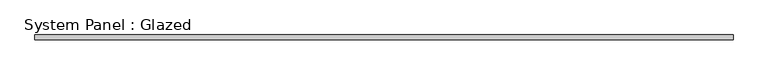
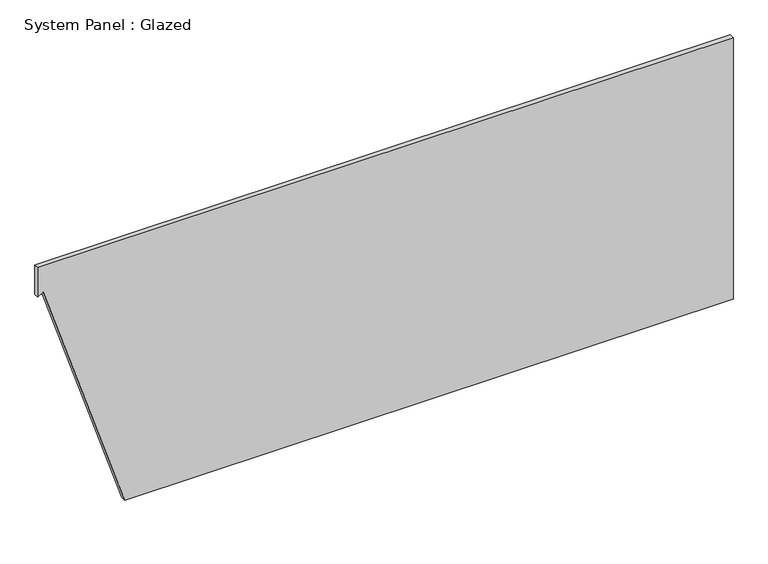
"""IFC4 building model written with IfcOpenShell, lengths in millimetres: plate geometry, System Panel : Glazed."""

import ifcopenshell
import ifcopenshell.guid

model = None  # the IFC model being written
_history = None  # IfcOwnerHistory: only IFC2X3 demands one
_inside = {}  # id of a spatial element -> (the spatial element, [elements in it])
_under = {}  # id of a project, library or spatial element -> (it, [spatial elements below it])
_declared = {}  # id of a project -> (the project, [libraries it declares])
_typed = {}  # id of a type object -> (the type object, [elements of that type])
_made_of = {}  # id of a material, layer set ... -> (it, [elements and type objects made of it])


def new_model(schema):
    """Start an empty IFC model of exactly this schema.

    Asked for "IFC4X3", IfcOpenShell would pick the latest addendum, in which some entities
    have other attributes; the version numbers below select the first issue.
    IFC2X3 requires an IfcOwnerHistory on every rooted entity: one is made here for all.
    """
    global model, _history
    if schema == "IFC4X3":
        model = ifcopenshell.file(schema_version=(4, 3, 0, 0))
    else:
        model = ifcopenshell.file(schema=schema)
    _inside.clear()
    _under.clear()
    _declared.clear()
    _typed.clear()
    _made_of.clear()
    _history = None
    if model.schema == "IFC2X3":
        org = make("IfcOrganization", Name="unknown")
        user = make(
            "IfcPersonAndOrganization",
            ThePerson=make("IfcPerson", FamilyName="unknown"),
            TheOrganization=org,
        )
        app = make(
            "IfcApplication",
            ApplicationDeveloper=org,
            Version="unknown",
            ApplicationFullName="unknown",
            ApplicationIdentifier="unknown",
        )
        _history = make(
            "IfcOwnerHistory",
            OwningUser=user,
            OwningApplication=app,
            ChangeAction="ADDED",
            CreationDate=0,
        )
    return model


def make(cls, **values):
    """One entity of the class cls with the attributes given. An attribute that is None is left unset."""
    return model.create_entity(
        cls, **{name: value for name, value in values.items() if value is not None}
    )


def rooted(cls, **values):
    """An entity with a GlobalId (a new one), such as an element, a storey or a relation."""
    return make(cls, GlobalId=ifcopenshell.guid.new(), OwnerHistory=_history, **values)


def si_unit(unit_type, name, prefix=None):
    """IfcSIUnit, for example si_unit("LENGTHUNIT", "METRE", prefix="MILLI")."""
    return make("IfcSIUnit", UnitType=unit_type, Prefix=prefix, Name=name)


def assignment(units):
    """IfcUnitAssignment: the units of a project."""
    return None if units is None else make("IfcUnitAssignment", Units=units)


def point(xyz):
    """IfcCartesianPoint."""
    return None if xyz is None else make("IfcCartesianPoint", Coordinates=xyz)


def direction(xyz):
    """IfcDirection."""
    return None if xyz is None else make("IfcDirection", DirectionRatios=xyz)


def frame(location, z_axis=None, x_axis=None):
    """IfcAxis2Placement3D, a coordinate frame: its origin and axes. An axis left out is left unset."""
    return make(
        "IfcAxis2Placement3D",
        Location=point(location),
        Axis=direction(z_axis),
        RefDirection=direction(x_axis),
    )


def origin():
    """The frame at (0, 0, 0) with its axes left unset."""
    return frame((0.0, 0.0, 0.0))


def place(relative_to, where):
    """IfcLocalPlacement: puts the frame where relative to a parent placement (None: the world)."""
    return make(
        "IfcLocalPlacement", PlacementRelTo=relative_to, RelativePlacement=where
    )


def context(
    kind, dimensions, precision=None, world=None, true_north=None, identifier=None
):
    """IfcGeometricRepresentationContext, for example the 3D "Model" context."""
    return make(
        "IfcGeometricRepresentationContext",
        ContextIdentifier=identifier,
        ContextType=kind,
        CoordinateSpaceDimension=dimensions,
        Precision=precision,
        WorldCoordinateSystem=world,
        TrueNorth=true_north,
    )


def project(units=None, contexts=None):
    """IfcProject with its units and contexts."""
    return rooted(
        "IfcProject",
        Name="project",
        RepresentationContexts=contexts,
        UnitsInContext=assignment(units),
    )


def spatial(cls, under=None, at=None, **own):
    """A site, building, storey or space (cls), placed at a placement, below another one or the project."""
    s = rooted(cls, ObjectPlacement=at, **own)
    if under is not None:
        _under.setdefault(under.id(), (under, []))[1].append(s)
    return s


def polyline(points):
    """IfcPolyline through the points."""
    return make("IfcPolyline", Points=[point(p) for p in points])


def outline(outer, holes=None, kind="AREA"):
    """IfcArbitraryClosedProfileDef: a profile drawn as a closed curve; with holes, ...WithVoids."""
    if holes is None:
        return make("IfcArbitraryClosedProfileDef", ProfileType=kind, OuterCurve=outer)
    return make(
        "IfcArbitraryProfileDefWithVoids",
        ProfileType=kind,
        OuterCurve=outer,
        InnerCurves=holes,
    )


def extrude(swept, where, along, depth):
    """IfcExtrudedAreaSolid: the profile swept, set in the frame where, extruded along a direction by depth."""
    return make(
        "IfcExtrudedAreaSolid",
        SweptArea=swept,
        Position=where,
        ExtrudedDirection=direction(along),
        Depth=depth,
    )


def shape(context_of_items, identifier, shape_type, items):
    """IfcShapeRepresentation: the items that make up one representation, for example the "Body"."""
    return make(
        "IfcShapeRepresentation",
        ContextOfItems=context_of_items,
        RepresentationIdentifier=identifier,
        RepresentationType=shape_type,
        Items=items,
    )


def source(mapping_origin, context_of_items, identifier, shape_type, items):
    """IfcRepresentationMap: a shape defined once, which mapped items show again and again."""
    return make(
        "IfcRepresentationMap",
        MappingOrigin=mapping_origin,
        MappedRepresentation=shape(context_of_items, identifier, shape_type, items),
    )


def transform(
    local_origin,
    x_axis=None,
    y_axis=None,
    z_axis=None,
    scale=None,
    scale2=None,
    scale3=None,
    uniform=True,
):
    """IfcCartesianTransformationOperator3D, or its non-uniform kind. x_axis, y_axis, z_axis: its Axis1, 2, 3."""
    if uniform:
        return make(
            "IfcCartesianTransformationOperator3D",
            Axis1=direction(x_axis),
            Axis2=direction(y_axis),
            LocalOrigin=point(local_origin),
            Scale=scale,
            Axis3=direction(z_axis),
        )
    return make(
        "IfcCartesianTransformationOperator3DnonUniform",
        Axis1=direction(x_axis),
        Axis2=direction(y_axis),
        LocalOrigin=point(local_origin),
        Scale=scale,
        Axis3=direction(z_axis),
        Scale2=scale2,
        Scale3=scale3,
    )


def mapped(mapping_source, mapping_target):
    """IfcMappedItem: shows the shape of a source again, moved by a transform."""
    return make(
        "IfcMappedItem", MappingSource=mapping_source, MappingTarget=mapping_target
    )


def made_of(thing, what):
    """Note that an element or type object is made of a material, layer set ...; save() writes the relation."""
    if what is not None:
        _made_of.setdefault(what.id(), (what, []))[1].append(thing)
    return thing


def element(
    cls,
    number,
    at=None,
    inside=None,
    cuts=None,
    type_object=None,
    material=None,
    context=None,
    identifier="Body",
    shape_type=None,
    held_by="IfcProductDefinitionShape",
    body=None,
    shapes=None,
    **own,
):
    """One element of the class cls, such as IfcWall. Its Tag is "e" and its number.

    at: its placement. inside: the storey or other place that contains it. cuts: it is an
    opening in that element (IfcRelVoidsElement). A single representation is given by context,
    identifier, shape_type and body (its items); several are given by shapes. held_by: the class
    of the entity that holds the representations. save() writes the other relations.
    """
    e = rooted(cls, Tag="e%d" % number, ObjectPlacement=at, **own)
    if body is not None:
        shapes = [shape(context, identifier, shape_type, body)]
    if shapes is not None:
        e.Representation = make(held_by, Representations=shapes)
    if inside is not None:
        _inside.setdefault(inside.id(), (inside, []))[1].append(e)
    if cuts is not None:
        rooted(
            "IfcRelVoidsElement", RelatingBuildingElement=cuts, RelatedOpeningElement=e
        )
    if type_object is not None:
        _typed.setdefault(type_object.id(), (type_object, []))[1].append(e)
    return made_of(e, material)


def aggregate(whole, parts):
    """IfcRelAggregates: a whole, such as a stair, and the parts it consists of."""
    return rooted("IfcRelAggregates", RelatingObject=whole, RelatedObjects=parts)


def save(model, path):
    """Write the relations noted so far, then the file.

    IfcRelAggregates (storeys below a building ...), IfcRelContainedInSpatialStructure (elements
    in a storey), IfcRelDefinesByType, IfcRelAssociatesMaterial and IfcRelDeclares: one each for
    every whole, place, type object, material and project.
    """
    for whole, parts in _under.values():
        aggregate(whole, parts)
    for where, things in _inside.values():
        rooted(
            "IfcRelContainedInSpatialStructure",
            RelatedElements=things,
            RelatingStructure=where,
        )
    for kind, things in _typed.values():
        rooted("IfcRelDefinesByType", RelatedObjects=things, RelatingType=kind)
    for what, things in _made_of.values():
        rooted("IfcRelAssociatesMaterial", RelatedObjects=things, RelatingMaterial=what)
    for by, libraries in _declared.values():
        rooted("IfcRelDeclares", RelatingContext=by, RelatedDefinitions=libraries)
    model.write(path)


def system_panel_glazed_a3be7fc0(model_context):
    return source(origin(), model_context, "Body", "SweptSolid", [
        extrude(outline(polyline([(0.0, -1377.5752923), (0.0, 1837.5752733), (1460.5, 1837.5752733), (1460.5, -1837.5752733), (1296.0674223, -1837.5752733), (1315.8502225, -1808.9854787), (0.0, -1377.5752923)])), frame((0.0, -44.45, 0.0), z_axis=(0.0, 1.0, 0.0), x_axis=(0.0, 0.0, 1.0)), (0.0, 0.0, 1.0), 25.4),
    ])


if __name__ == "__main__":
    model = new_model("IFC4")
    model_context = context("Model", 3, world=origin())
    ifc_project = project(units=[si_unit("LENGTHUNIT", "METRE", prefix="MILLI")], contexts=[model_context])
    site = spatial("IfcSite", under=ifc_project)
    building = spatial("IfcBuilding", under=site)
    placement = place(None, origin())
    system_panel_glazed_shape = system_panel_glazed_a3be7fc0(model_context)
    element("IfcPlate", 1, ObjectType="System Panel : Glazed", at=placement, inside=building, context=model_context, shape_type="MappedRepresentation", body=[
        mapped(system_panel_glazed_shape, transform((0.0, 0.0, 0.0), x_axis=(1.0, 0.0, 0.0), y_axis=(0.0, 1.0, 0.0), z_axis=(0.0, 0.0, 1.0))),
    ])
    save(model, "model.ifc")
